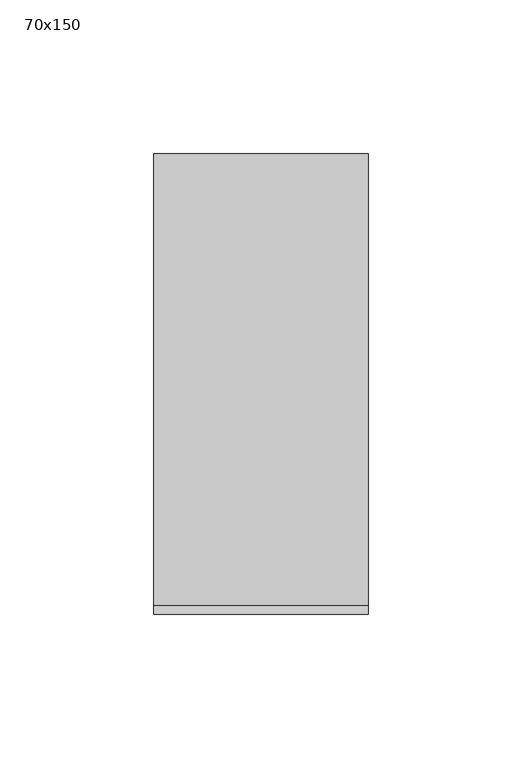
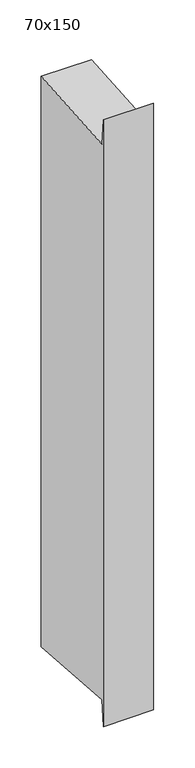
"""IFC4 building model written with IfcOpenShell, lengths in millimetres: member geometry, 70x150."""

import ifcopenshell
import ifcopenshell.guid

model = None  # the IFC model being written
_history = None  # IfcOwnerHistory: only IFC2X3 demands one
_inside = {}  # id of a spatial element -> (the spatial element, [elements in it])
_under = {}  # id of a project, library or spatial element -> (it, [spatial elements below it])
_declared = {}  # id of a project -> (the project, [libraries it declares])
_typed = {}  # id of a type object -> (the type object, [elements of that type])
_made_of = {}  # id of a material, layer set ... -> (it, [elements and type objects made of it])


def new_model(schema):
    """Start an empty IFC model of exactly this schema.

    Asked for "IFC4X3", IfcOpenShell would pick the latest addendum, in which some entities
    have other attributes; the version numbers below select the first issue.
    IFC2X3 requires an IfcOwnerHistory on every rooted entity: one is made here for all.
    """
    global model, _history
    if schema == "IFC4X3":
        model = ifcopenshell.file(schema_version=(4, 3, 0, 0))
    else:
        model = ifcopenshell.file(schema=schema)
    _inside.clear()
    _under.clear()
    _declared.clear()
    _typed.clear()
    _made_of.clear()
    _history = None
    if model.schema == "IFC2X3":
        org = make("IfcOrganization", Name="unknown")
        user = make(
            "IfcPersonAndOrganization",
            ThePerson=make("IfcPerson", FamilyName="unknown"),
            TheOrganization=org,
        )
        app = make(
            "IfcApplication",
            ApplicationDeveloper=org,
            Version="unknown",
            ApplicationFullName="unknown",
            ApplicationIdentifier="unknown",
        )
        _history = make(
            "IfcOwnerHistory",
            OwningUser=user,
            OwningApplication=app,
            ChangeAction="ADDED",
            CreationDate=0,
        )
    return model


def make(cls, **values):
    """One entity of the class cls with the attributes given. An attribute that is None is left unset."""
    return model.create_entity(
        cls, **{name: value for name, value in values.items() if value is not None}
    )


def rooted(cls, **values):
    """An entity with a GlobalId (a new one), such as an element, a storey or a relation."""
    return make(cls, GlobalId=ifcopenshell.guid.new(), OwnerHistory=_history, **values)


def si_unit(unit_type, name, prefix=None):
    """IfcSIUnit, for example si_unit("LENGTHUNIT", "METRE", prefix="MILLI")."""
    return make("IfcSIUnit", UnitType=unit_type, Prefix=prefix, Name=name)


def assignment(units):
    """IfcUnitAssignment: the units of a project."""
    return None if units is None else make("IfcUnitAssignment", Units=units)


def point(xyz):
    """IfcCartesianPoint."""
    return None if xyz is None else make("IfcCartesianPoint", Coordinates=xyz)


def direction(xyz):
    """IfcDirection."""
    return None if xyz is None else make("IfcDirection", DirectionRatios=xyz)


def frame(location, z_axis=None, x_axis=None):
    """IfcAxis2Placement3D, a coordinate frame: its origin and axes. An axis left out is left unset."""
    return make(
        "IfcAxis2Placement3D",
        Location=point(location),
        Axis=direction(z_axis),
        RefDirection=direction(x_axis),
    )


def origin():
    """The frame at (0, 0, 0) with its axes left unset."""
    return frame((0.0, 0.0, 0.0))


def place(relative_to, where):
    """IfcLocalPlacement: puts the frame where relative to a parent placement (None: the world)."""
    return make(
        "IfcLocalPlacement", PlacementRelTo=relative_to, RelativePlacement=where
    )


def context(
    kind, dimensions, precision=None, world=None, true_north=None, identifier=None
):
    """IfcGeometricRepresentationContext, for example the 3D "Model" context."""
    return make(
        "IfcGeometricRepresentationContext",
        ContextIdentifier=identifier,
        ContextType=kind,
        CoordinateSpaceDimension=dimensions,
        Precision=precision,
        WorldCoordinateSystem=world,
        TrueNorth=true_north,
    )


def project(units=None, contexts=None):
    """IfcProject with its units and contexts."""
    return rooted(
        "IfcProject",
        Name="project",
        RepresentationContexts=contexts,
        UnitsInContext=assignment(units),
    )


def spatial(cls, under=None, at=None, **own):
    """A site, building, storey or space (cls), placed at a placement, below another one or the project."""
    s = rooted(cls, ObjectPlacement=at, **own)
    if under is not None:
        _under.setdefault(under.id(), (under, []))[1].append(s)
    return s


def polyline(points):
    """IfcPolyline through the points."""
    return make("IfcPolyline", Points=[point(p) for p in points])


def outline(outer, holes=None, kind="AREA"):
    """IfcArbitraryClosedProfileDef: a profile drawn as a closed curve; with holes, ...WithVoids."""
    if holes is None:
        return make("IfcArbitraryClosedProfileDef", ProfileType=kind, OuterCurve=outer)
    return make(
        "IfcArbitraryProfileDefWithVoids",
        ProfileType=kind,
        OuterCurve=outer,
        InnerCurves=holes,
    )


def extrude(swept, where, along, depth):
    """IfcExtrudedAreaSolid: the profile swept, set in the frame where, extruded along a direction by depth."""
    return make(
        "IfcExtrudedAreaSolid",
        SweptArea=swept,
        Position=where,
        ExtrudedDirection=direction(along),
        Depth=depth,
    )


def shape(context_of_items, identifier, shape_type, items):
    """IfcShapeRepresentation: the items that make up one representation, for example the "Body"."""
    return make(
        "IfcShapeRepresentation",
        ContextOfItems=context_of_items,
        RepresentationIdentifier=identifier,
        RepresentationType=shape_type,
        Items=items,
    )


def source(mapping_origin, context_of_items, identifier, shape_type, items):
    """IfcRepresentationMap: a shape defined once, which mapped items show again and again."""
    return make(
        "IfcRepresentationMap",
        MappingOrigin=mapping_origin,
        MappedRepresentation=shape(context_of_items, identifier, shape_type, items),
    )


def transform(
    local_origin,
    x_axis=None,
    y_axis=None,
    z_axis=None,
    scale=None,
    scale2=None,
    scale3=None,
    uniform=True,
):
    """IfcCartesianTransformationOperator3D, or its non-uniform kind. x_axis, y_axis, z_axis: its Axis1, 2, 3."""
    if uniform:
        return make(
            "IfcCartesianTransformationOperator3D",
            Axis1=direction(x_axis),
            Axis2=direction(y_axis),
            LocalOrigin=point(local_origin),
            Scale=scale,
            Axis3=direction(z_axis),
        )
    return make(
        "IfcCartesianTransformationOperator3DnonUniform",
        Axis1=direction(x_axis),
        Axis2=direction(y_axis),
        LocalOrigin=point(local_origin),
        Scale=scale,
        Axis3=direction(z_axis),
        Scale2=scale2,
        Scale3=scale3,
    )


def mapped(mapping_source, mapping_target):
    """IfcMappedItem: shows the shape of a source again, moved by a transform."""
    return make(
        "IfcMappedItem", MappingSource=mapping_source, MappingTarget=mapping_target
    )


def made_of(thing, what):
    """Note that an element or type object is made of a material, layer set ...; save() writes the relation."""
    if what is not None:
        _made_of.setdefault(what.id(), (what, []))[1].append(thing)
    return thing


def element(
    cls,
    number,
    at=None,
    inside=None,
    cuts=None,
    type_object=None,
    material=None,
    context=None,
    identifier="Body",
    shape_type=None,
    held_by="IfcProductDefinitionShape",
    body=None,
    shapes=None,
    **own,
):
    """One element of the class cls, such as IfcWall. Its Tag is "e" and its number.

    at: its placement. inside: the storey or other place that contains it. cuts: it is an
    opening in that element (IfcRelVoidsElement). A single representation is given by context,
    identifier, shape_type and body (its items); several are given by shapes. held_by: the class
    of the entity that holds the representations. save() writes the other relations.
    """
    e = rooted(cls, Tag="e%d" % number, ObjectPlacement=at, **own)
    if body is not None:
        shapes = [shape(context, identifier, shape_type, body)]
    if shapes is not None:
        e.Representation = make(held_by, Representations=shapes)
    if inside is not None:
        _inside.setdefault(inside.id(), (inside, []))[1].append(e)
    if cuts is not None:
        rooted(
            "IfcRelVoidsElement", RelatingBuildingElement=cuts, RelatedOpeningElement=e
        )
    if type_object is not None:
        _typed.setdefault(type_object.id(), (type_object, []))[1].append(e)
    return made_of(e, material)


def aggregate(whole, parts):
    """IfcRelAggregates: a whole, such as a stair, and the parts it consists of."""
    return rooted("IfcRelAggregates", RelatingObject=whole, RelatedObjects=parts)


def save(model, path):
    """Write the relations noted so far, then the file.

    IfcRelAggregates (storeys below a building ...), IfcRelContainedInSpatialStructure (elements
    in a storey), IfcRelDefinesByType, IfcRelAssociatesMaterial and IfcRelDeclares: one each for
    every whole, place, type object, material and project.
    """
    for whole, parts in _under.values():
        aggregate(whole, parts)
    for where, things in _inside.values():
        rooted(
            "IfcRelContainedInSpatialStructure",
            RelatedElements=things,
            RelatingStructure=where,
        )
    for kind, things in _typed.values():
        rooted("IfcRelDefinesByType", RelatedObjects=things, RelatingType=kind)
    for what, things in _made_of.values():
        rooted("IfcRelAssociatesMaterial", RelatedObjects=things, RelatingMaterial=what)
    for by, libraries in _declared.values():
        rooted("IfcRelDeclares", RelatingContext=by, RelatedDefinitions=libraries)
    model.write(path)


def member_70x150_2211757b(model_context):
    return source(origin(), model_context, "Body", "SweptSolid", [
        extrude(outline(polyline([(-75.0, 32.262788), (-72.2491374, -5.374028), (75.0, 5.3883632), (75.0, -835.3883632), (-72.2491374, -824.625972), (-75.0, -862.262788), (-75.0, 32.262788)])), frame((-70.0, 0.0, 0.0), z_axis=(1.0, 0.0, 0.0), x_axis=(0.0, 1.0, 0.0)), (0.0, 0.0, 1.0), 70.0),
    ])


if __name__ == "__main__":
    model = new_model("IFC4")
    model_context = context("Model", 3, world=origin())
    ifc_project = project(units=[si_unit("LENGTHUNIT", "METRE", prefix="MILLI")], contexts=[model_context])
    site = spatial("IfcSite", under=ifc_project)
    building = spatial("IfcBuilding", under=site)
    placement = place(None, origin())
    member_70x150_shape = member_70x150_2211757b(model_context)
    element("IfcMember", 1, ObjectType="70x150", at=placement, inside=building, context=model_context, shape_type="MappedRepresentation", body=[
        mapped(member_70x150_shape, transform((0.0, 0.0, 0.0), x_axis=(1.0, 0.0, 0.0), y_axis=(0.0, 1.0, 0.0), z_axis=(0.0, 0.0, 1.0))),
    ])
    save(model, "model.ifc")
